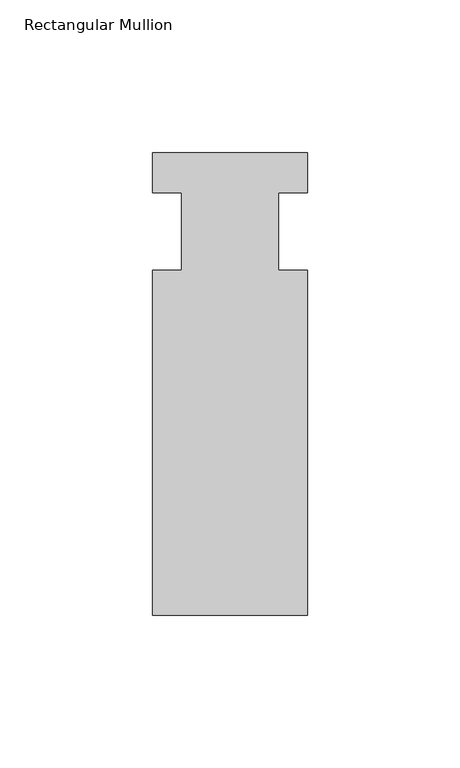
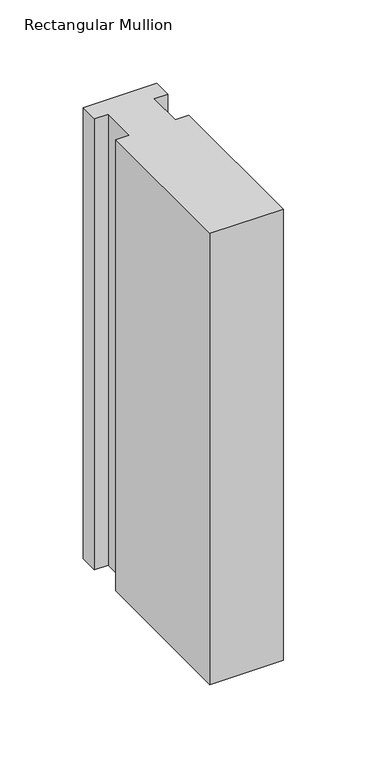
"""IFC4 building model written with IfcOpenShell, lengths in millimetres: member geometry, Rectangular Mullion."""

from ifc_helpers import new_model, si_unit, frame, origin, place, context, project, spatial, polyline, outline, extrude, source, transform, mapped, element, save


def rectangular_mullion_788a3875(model_context):
    return source(origin(), model_context, "Body", "SweptSolid", [
        extrude(outline(polyline([(-25.4, 25.796875), (25.4, 25.796875), (25.4, 12.7), (15.875, 12.7), (15.875, -12.7), (25.4, -12.7), (25.4, -125.809375), (-25.4, -125.809375), (-25.4, -12.7), (-15.875, -12.7), (-15.875, 12.7), (-25.4, 12.7), (-25.4, 25.796875)])), frame((0.0, 0.0, -330.2), z_axis=(0.0, 0.0, 1.0), x_axis=(1.0, 0.0, 0.0)), (0.0, 0.0, 1.0), 330.2),
    ])


if __name__ == "__main__":
    model = new_model("IFC4")
    model_context = context("Model", 3, world=origin())
    ifc_project = project(units=[si_unit("LENGTHUNIT", "METRE", prefix="MILLI")], contexts=[model_context])
    site = spatial("IfcSite", under=ifc_project)
    building = spatial("IfcBuilding", under=site)
    placement = place(None, origin())
    rectangular_mullion_shape = rectangular_mullion_788a3875(model_context)
    element("IfcMember", 1, ObjectType="Rectangular Mullion", at=placement, inside=building, context=model_context, shape_type="MappedRepresentation", body=[
        mapped(rectangular_mullion_shape, transform((0.0, 0.0, 0.0), x_axis=(1.0, 0.0, 0.0), y_axis=(0.0, 1.0, 0.0), z_axis=(0.0, 0.0, 1.0))),
    ])
    save(model, "model.ifc")
